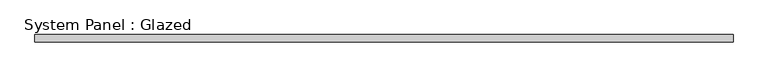
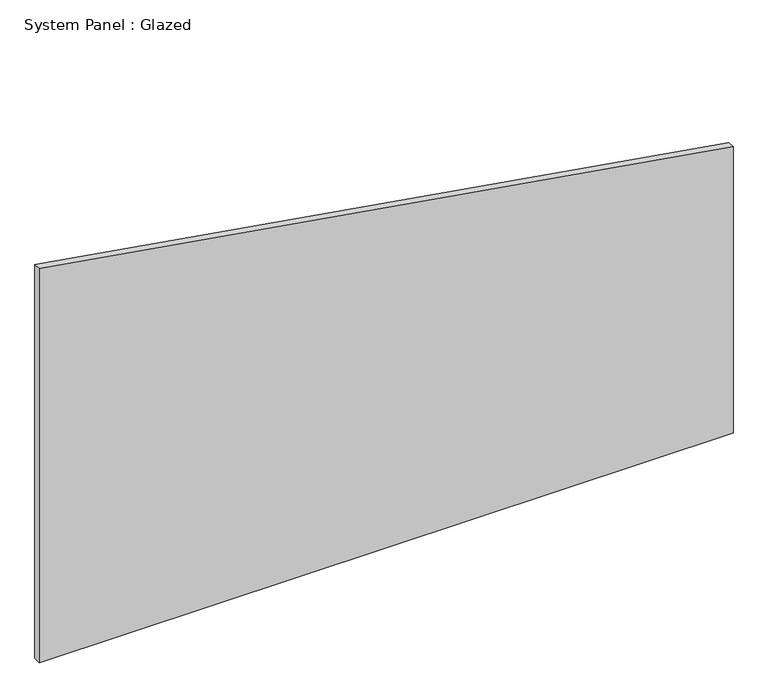
"""IFC4 building model written with IfcOpenShell, lengths in millimetres: plate geometry, System Panel : Glazed."""

from ifc_helpers import new_model, si_unit, frame, origin, place, context, project, spatial, polyline, outline, extrude, source, transform, mapped, element, save


def system_panel_glazed_2d23246c(model_context):
    return source(origin(), model_context, "Body", "SweptSolid", [
        extrude(outline(polyline([(0.0, -1171.7121958), (0.0, 1171.7121958), (1022.972921, 1171.7121958), (1407.4426839, -1171.7121958), (0.0, -1171.7121958)])), frame((0.0, 24.5, 0.0), z_axis=(0.0, 1.0, 0.0), x_axis=(0.0, 0.0, 1.0)), (0.0, 0.0, 1.0), 25.0),
    ])


if __name__ == "__main__":
    model = new_model("IFC4")
    model_context = context("Model", 3, world=origin())
    ifc_project = project(units=[si_unit("LENGTHUNIT", "METRE", prefix="MILLI")], contexts=[model_context])
    site = spatial("IfcSite", under=ifc_project)
    building = spatial("IfcBuilding", under=site)
    placement = place(None, origin())
    system_panel_glazed_shape = system_panel_glazed_2d23246c(model_context)
    element("IfcPlate", 1, ObjectType="System Panel : Glazed", at=placement, inside=building, context=model_context, shape_type="MappedRepresentation", body=[
        mapped(system_panel_glazed_shape, transform((0.0, 0.0, 0.0), x_axis=(1.0, 0.0, 0.0), y_axis=(0.0, 1.0, 0.0), z_axis=(0.0, 0.0, 1.0))),
    ])
    save(model, "model.ifc")
